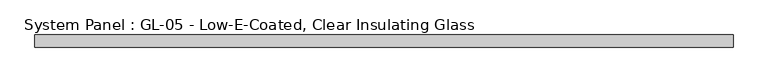
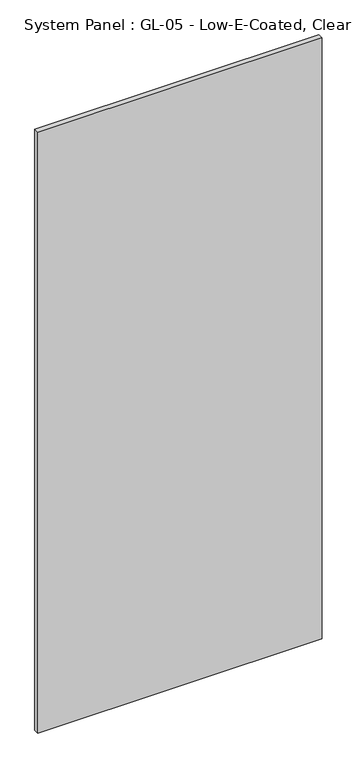
"""IFC4 building model written with IfcOpenShell, lengths in millimetres: plate geometry, System Panel : GL-05 - Low-E-Coated, Clear Insulating Glass."""

from ifc_helpers import new_model, si_unit, origin, origin_with_axes, place, context, project, spatial, polyline, outline, extrude, source, transform, mapped, element, save


def system_panel_gl_05_low_e_coated_clear_insulating_glass_737e0fdb(model_context):
    return source(origin(), model_context, "Body", "SweptSolid", [
        extrude(outline(polyline([(704.85, -12.7), (-704.85, -12.7), (-704.85, 12.7), (704.85, 12.7), (704.85, -12.7)])), origin_with_axes(), (0.0, 0.0, 1.0), 3149.6),
    ])


if __name__ == "__main__":
    model = new_model("IFC4")
    model_context = context("Model", 3, world=origin())
    ifc_project = project(units=[si_unit("LENGTHUNIT", "METRE", prefix="MILLI")], contexts=[model_context])
    site = spatial("IfcSite", under=ifc_project)
    building = spatial("IfcBuilding", under=site)
    placement = place(None, origin())
    system_panel_gl_05_low_e_coated_clear_insulating_glass_shape = system_panel_gl_05_low_e_coated_clear_insulating_glass_737e0fdb(model_context)
    element("IfcPlate", 1, ObjectType="System Panel : GL-05 - Low-E-Coated, Clear Insulating Glass", at=placement, inside=building, context=model_context, shape_type="MappedRepresentation", body=[
        mapped(system_panel_gl_05_low_e_coated_clear_insulating_glass_shape, transform((0.0, 0.0, 0.0), x_axis=(1.0, 0.0, 0.0), y_axis=(0.0, 1.0, 0.0), z_axis=(0.0, 0.0, 1.0))),
    ])
    save(model, "model.ifc")
